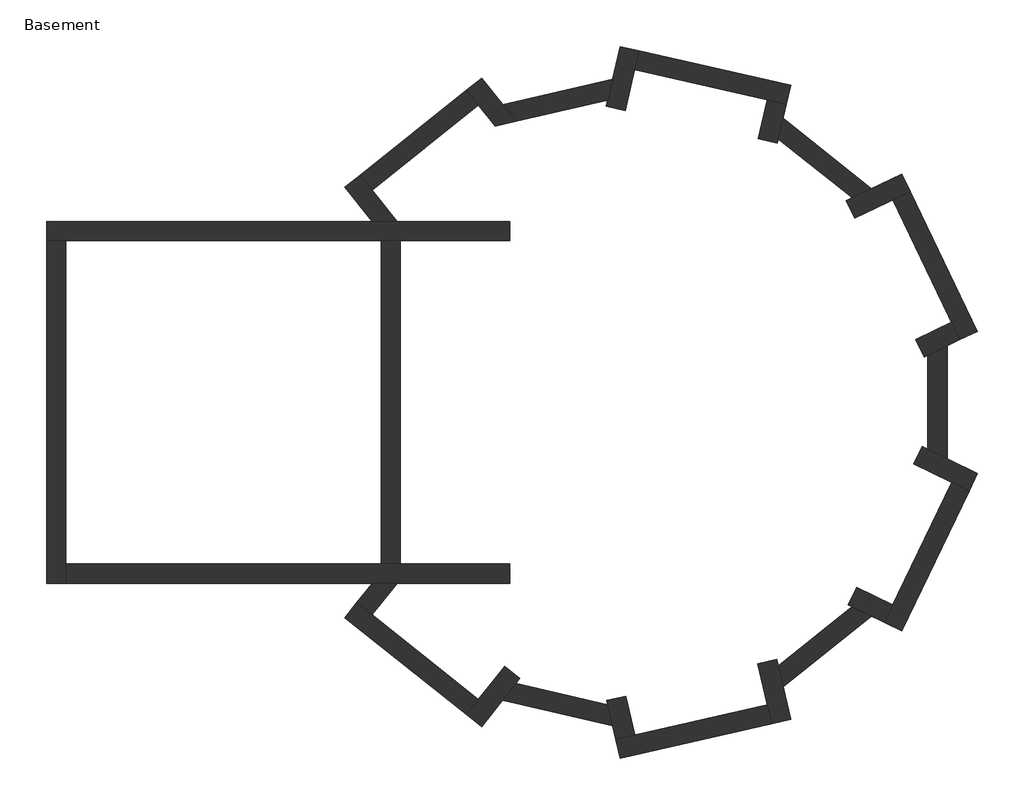
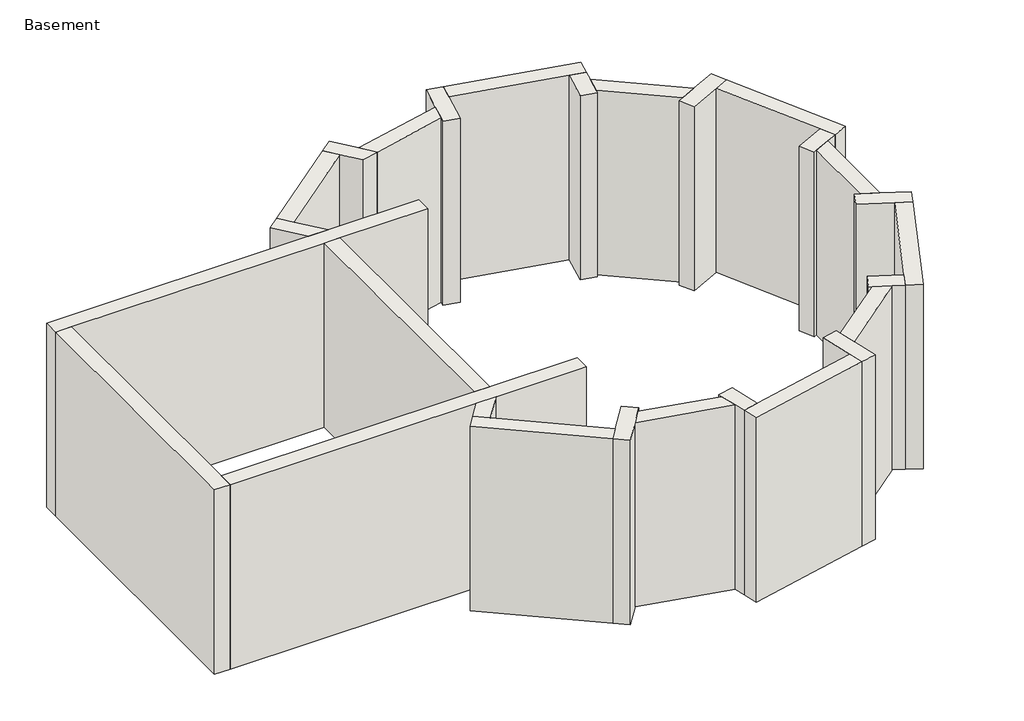
# One storey: 27 walls.
"""IFC4 building model written with IfcOpenShell, lengths in millimetres."""

from ifc_helpers import new_model, si_unit, frame, origin, place, context, project, spatial, polyline, outline, extrude, faceted_brep, element, save

model = new_model("IFC4")

# Units and contexts
model_context = context("Model", 3, world=origin())
ifc_project = project(units=[si_unit("LENGTHUNIT", "METRE", prefix="MILLI")], contexts=[model_context])

# Site, building, storey
site = spatial("IfcSite", under=ifc_project)
building = spatial("IfcBuilding", under=site)
storey = spatial("IfcBuildingStorey", under=building, Name="Basement", Elevation=-3810.0)

# Walls
placement = place(None, origin())
element("IfcWall", 1, ObjectType="Foundation - 12\" Concrete", at=placement, inside=storey, context=model_context, shape_type="Brep", body=[
    faceted_brep([(7201.9590733, 11340.0812728, -3810.0), (7633.1488174, 10799.3864356, -3810.0), (7633.1488174, 10799.3864356, 0.0), (7201.9590733, 11340.0812728, 0.0), (7440.2613091, 11530.1209644, -3810.0), (7440.2613091, 11530.1209644, 0.0), (7630.3010007, 11291.8187286, 0.0), (8023.0026502, 10799.3864356, 0.0), (8023.0026502, 10799.3864356, -3810.0), (7630.3010007, 11291.8187286, -3810.0)], [[[0, 1, 2, 3]], [[4, 5, 6, 7, 8, 9]], [[1, 0, 4, 9, 8]], [[3, 2, 7, 6, 5]], [[0, 3, 5, 4]], [[2, 1, 8, 7]]]),
])
element("IfcWall", 2, ObjectType="Foundation - 12\" Concrete", at=placement, inside=storey, context=model_context, shape_type="SweptSolid", body=[
    extrude(outline(polyline([(7440.2613091, 11530.1209644), (9110.6709419, 12862.2281952), (9300.7106336, 12623.9259593), (7630.3010007, 11291.8187286), (7440.2613091, 11530.1209644)])), frame((0.0, 0.0, -3810.0), z_axis=(0.0, 0.0, 1.0), x_axis=(1.0, 0.0, 0.0)), (0.0, 0.0, 1.0), 3810.0),
])
element("IfcWall", 3, ObjectType="Foundation - 12\" Concrete", at=placement, inside=storey, context=model_context, shape_type="Brep", body=[
    faceted_brep([(9890.1446649, 12373.6603061, -3810.0), (9679.2165203, 12638.1558335, -3810.0), (9348.9731778, 13052.2678868, -3810.0), (9348.9731778, 13052.2678868, 0.0), (9679.2165203, 12638.1558335, 0.0), (9890.1446649, 12373.6603061, 0.0), (9560.324137, 12298.3809229, -3810.0), (9560.324137, 12298.3809229, 0.0), (9300.7106336, 12623.9259593, 0.0), (9110.6709419, 12862.2281952, 0.0), (9110.6709419, 12862.2281952, -3810.0), (9300.7106336, 12623.9259593, -3810.0)], [[[0, 1, 2, 3, 4, 5]], [[6, 7, 8, 9, 10, 11]], [[2, 1, 0, 6, 11, 10]], [[5, 4, 3, 9, 8, 7]], [[3, 2, 10, 9]], [[0, 5, 7, 6]]]),
])
element("IfcWall", 4, ObjectType="Foundation - 12\" Concrete", at=placement, inside=storey, context=model_context, shape_type="SweptSolid", body=[
    extrude(outline(polyline([(9679.2165203, 12638.1558335), (11406.5563192, 13032.4098707), (11331.276936, 12702.5893428), (9890.1446649, 12373.6603061), (9679.2165203, 12638.1558335)])), frame((0.0, 0.0, -3810.0), z_axis=(0.0, 0.0, 1.0), x_axis=(1.0, 0.0, 0.0)), (0.0, 0.0, 1.0), 3810.0),
])
element("IfcWall", 5, ObjectType="Foundation - 12\" Concrete", at=placement, inside=storey, context=model_context, shape_type="Brep", body=[
    faceted_brep([(11524.3970829, 13548.7039904, -3810.0), (11406.5563192, 13032.4098707, -3810.0), (11331.276936, 12702.5893428, -3810.0), (11309.6198774, 12607.7035695, -3810.0), (11309.6198774, 12607.7035695, 0.0), (11331.276936, 12702.5893428, 0.0), (11406.5563192, 13032.4098707, 0.0), (11524.3970829, 13548.7039904, 0.0), (11821.5551105, 13480.8796097, -3810.0), (11821.5551105, 13480.8796097, 0.0), (11753.7307299, 13183.721582, 0.0), (11606.7779051, 12539.8791888, 0.0), (11606.7779051, 12539.8791888, -3810.0), (11753.7307299, 13183.721582, -3810.0)], [[[0, 1, 2, 3, 4, 5, 6, 7]], [[8, 9, 10, 11, 12, 13]], [[3, 2, 1, 0, 8, 13, 12]], [[4, 3, 12, 11]], [[7, 6, 5, 4, 11, 10, 9]], [[0, 7, 9, 8]]]),
])
element("IfcWall", 6, ObjectType="Foundation - 12\" Concrete", at=placement, inside=storey, context=model_context, shape_type="Brep", body=[
    faceted_brep([(14201.4822693, 12937.6767662, -3810.0), (11821.5551105, 13480.8796097, -3810.0), (11821.5551105, 13480.8796097, 0.0), (14201.4822693, 12937.6767662, 0.0), (14133.6578886, 12640.5187385, -3810.0), (14133.6578886, 12640.5187385, 0.0), (13836.499861, 12708.3431192, 0.0), (11753.7307299, 13183.721582, 0.0), (11753.7307299, 13183.721582, -3810.0), (13836.499861, 12708.3431192, -3810.0)], [[[0, 1, 2, 3]], [[4, 5, 6, 7, 8, 9]], [[1, 0, 4, 9, 8]], [[3, 2, 7, 6, 5]], [[0, 3, 5, 4]], [[2, 1, 8, 7]]]),
])
element("IfcWall", 7, ObjectType="Foundation - 12\" Concrete", at=placement, inside=storey, context=model_context, shape_type="Brep", body=[
    faceted_brep([(13836.499861, 12708.3431192, -3810.0), (13697.1207898, 12097.6835086, -3810.0), (13697.1207898, 12097.6835086, 0.0), (13836.499861, 12708.3431192, 0.0), (14133.6578886, 12640.5187385, -3810.0), (14133.6578886, 12640.5187385, 0.0), (14084.6888, 12425.971143, 0.0), (14009.4094168, 12096.1506151, 0.0), (13994.2788174, 12029.8591279, 0.0), (13994.2788174, 12029.8591279, -3810.0), (14009.4094168, 12096.1506151, -3810.0), (14084.6888, 12425.971143, -3810.0)], [[[0, 1, 2, 3]], [[4, 5, 6, 7, 8, 9, 10, 11]], [[1, 0, 4, 11, 10, 9]], [[2, 1, 9, 8]], [[3, 2, 8, 7, 6, 5]], [[0, 3, 5, 4]]]),
])
element("IfcWall", 8, ObjectType="Foundation - 12\" Concrete", at=placement, inside=storey, context=model_context, shape_type="SweptSolid", body=[
    extrude(outline(polyline([(14084.6888, 12425.971143), (15473.2767715, 11318.6091876), (15168.4767715, 11171.8252437), (14009.4094168, 12096.1506151), (14084.6888, 12425.971143)])), frame((0.0, 0.0, -3810.0), z_axis=(0.0, 0.0, 1.0), x_axis=(1.0, 0.0, 0.0)), (0.0, 0.0, 1.0), 3810.0),
])
element("IfcWall", 9, ObjectType="Foundation - 12\" Concrete", at=placement, inside=storey, context=model_context, shape_type="Brep", body=[
    faceted_brep([(15946.1638745, 11546.3396139, -3810.0), (15473.2767715, 11318.6091876, -3810.0), (15168.4767715, 11171.8252437, -3810.0), (15076.5487232, 11127.5550289, -3810.0), (15076.5487232, 11127.5550289, 0.0), (15168.4767715, 11171.8252437, 0.0), (15473.2767715, 11318.6091876, 0.0), (15946.1638745, 11546.3396139, 0.0), (16078.4116382, 11271.724303, -3810.0), (16078.4116382, 11271.724303, 0.0), (15803.7963273, 11139.4765393, 0.0), (15208.7964869, 10852.939718, 0.0), (15208.7964869, 10852.939718, -3810.0), (15803.7963273, 11139.4765393, -3810.0)], [[[0, 1, 2, 3, 4, 5, 6, 7]], [[8, 9, 10, 11, 12, 13]], [[3, 2, 1, 0, 8, 13, 12]], [[4, 3, 12, 11]], [[7, 6, 5, 4, 11, 10, 9]], [[0, 7, 9, 8]]]),
])
element("IfcWall", 10, ObjectType="Foundation - 12\" Concrete", at=placement, inside=storey, context=model_context, shape_type="Brep", body=[
    faceted_brep([(17137.5788664, 9072.340891, -3810.0), (16078.4116382, 11271.724303, -3810.0), (16078.4116382, 11271.724303, 0.0), (17137.5788664, 9072.340891, 0.0), (16862.9635555, 8940.0931273, -3810.0), (16862.9635555, 8940.0931273, 0.0), (16730.7157918, 9214.7084383, 0.0), (15803.7963273, 11139.4765393, 0.0), (15803.7963273, 11139.4765393, -3810.0), (16730.7157918, 9214.7084383, -3810.0)], [[[0, 1, 2, 3]], [[4, 5, 6, 7, 8, 9]], [[1, 0, 4, 9, 8]], [[3, 2, 7, 6, 5]], [[0, 3, 5, 4]], [[2, 1, 8, 7]]]),
])
element("IfcWall", 11, ObjectType="Foundation - 12\" Concrete", at=placement, inside=storey, context=model_context, shape_type="Brep", body=[
    faceted_brep([(16730.7157918, 9214.7084383, -3810.0), (16166.3814537, 8942.9393445, -3810.0), (16166.3814537, 8942.9393445, 0.0), (16730.7157918, 9214.7084383, 0.0), (16862.9635555, 8940.0931273, -3810.0), (16862.9635555, 8940.0931273, 0.0), (16660.451355, 8842.5683916, 0.0), (16355.651355, 8695.7844478, 0.0), (16298.6292174, 8668.3240336, 0.0), (16298.6292174, 8668.3240336, -3810.0), (16355.651355, 8695.7844478, -3810.0), (16660.451355, 8842.5683916, -3810.0)], [[[0, 1, 2, 3]], [[4, 5, 6, 7, 8, 9, 10, 11]], [[1, 0, 4, 11, 10, 9]], [[2, 1, 9, 8]], [[3, 2, 8, 7, 6, 5]], [[0, 3, 5, 4]]]),
])
element("IfcWall", 12, ObjectType="Foundation - 12\" Concrete", at=placement, inside=storey, context=model_context, shape_type="SweptSolid", body=[
    extrude(outline(polyline([(16660.451355, 8842.5683916), (16660.451355, 7070.5818592), (16355.651355, 7217.365803), (16355.651355, 8695.7844478), (16660.451355, 8842.5683916)])), frame((0.0, 0.0, -3810.0), z_axis=(0.0, 0.0, 1.0), x_axis=(1.0, 0.0, 0.0)), (0.0, 0.0, 1.0), 3810.0),
])
element("IfcWall", 13, ObjectType="Foundation - 12\" Concrete", at=placement, inside=storey, context=model_context, shape_type="Brep", body=[
    faceted_brep([(17137.5788664, 6840.8093598, -3810.0), (16660.451355, 7070.5818592, -3810.0), (16355.651355, 7217.365803, -3810.0), (16267.9637151, 7259.5939448, -3810.0), (16267.9637151, 7259.5939448, 0.0), (16355.651355, 7217.365803, 0.0), (16660.451355, 7070.5818592, 0.0), (17137.5788664, 6840.8093598, 0.0), (17005.3311028, 6566.1940488, -3810.0), (17005.3311028, 6566.1940488, 0.0), (16730.7157918, 6698.4418125, 0.0), (16135.7159515, 6984.9786338, 0.0), (16135.7159515, 6984.9786338, -3810.0), (16730.7157918, 6698.4418125, -3810.0)], [[[0, 1, 2, 3, 4, 5, 6, 7]], [[8, 9, 10, 11, 12, 13]], [[3, 2, 1, 0, 8, 13, 12]], [[4, 3, 12, 11]], [[7, 6, 5, 4, 11, 10, 9]], [[0, 7, 9, 8]]]),
])
element("IfcWall", 14, ObjectType="Foundation - 12\" Concrete", at=placement, inside=storey, context=model_context, shape_type="Brep", body=[
    faceted_brep([(15946.1638745, 4366.8106369, -3810.0), (17005.3311028, 6566.1940488, -3810.0), (17005.3311028, 6566.1940488, 0.0), (15946.1638745, 4366.8106369, 0.0), (15671.5485636, 4499.0584006, -3810.0), (15671.5485636, 4499.0584006, 0.0), (15803.7963273, 4773.6737115, 0.0), (16730.7157918, 6698.4418125, 0.0), (16730.7157918, 6698.4418125, -3810.0), (15803.7963273, 4773.6737115, -3810.0)], [[[0, 1, 2, 3]], [[4, 5, 6, 7, 8, 9]], [[1, 0, 4, 9, 8]], [[3, 2, 7, 6, 5]], [[0, 3, 5, 4]], [[2, 1, 8, 7]]]),
])
element("IfcWall", 15, ObjectType="Foundation - 12\" Concrete", at=placement, inside=storey, context=model_context, shape_type="Brep", body=[
    faceted_brep([(15803.7963273, 4773.6737115, -3810.0), (15239.4619892, 5045.4428053, -3810.0), (15239.4619892, 5045.4428053, 0.0), (15803.7963273, 4773.6737115, 0.0), (15671.5485636, 4499.0584006, -3810.0), (15671.5485636, 4499.0584006, 0.0), (15469.3842197, 4596.4156174, 0.0), (15164.8767913, 4743.0586662, 0.0), (15107.2142255, 4770.8274943, 0.0), (15107.2142255, 4770.8274943, -3810.0), (15164.8767913, 4743.0586662, -3810.0), (15469.3842197, 4596.4156174, -3810.0)], [[[0, 1, 2, 3]], [[4, 5, 6, 7, 8, 9, 10, 11]], [[1, 0, 4, 11, 10, 9]], [[2, 1, 9, 8]], [[3, 2, 8, 7, 6, 5]], [[0, 3, 5, 4]]]),
])
element("IfcWall", 16, ObjectType="Foundation - 12\" Concrete", at=placement, inside=storey, context=model_context, shape_type="SweptSolid", body=[
    extrude(outline(polyline([(15469.3842197, 4596.4156174), (14084.6034025, 3487.5532589), (14009.2513196, 3817.6923048), (15164.8767913, 4743.0586662), (15469.3842197, 4596.4156174)])), frame((0.0, 0.0, -3810.0), z_axis=(0.0, 0.0, 1.0), x_axis=(1.0, 0.0, 0.0)), (0.0, 0.0, 1.0), 3810.0),
])
element("IfcWall", 17, ObjectType="Foundation - 12\" Concrete", at=placement, inside=storey, context=model_context, shape_type="Brep", body=[
    faceted_brep([(14201.4822693, 2975.4734846, -3810.0), (14084.6034025, 3487.5532589, -3810.0), (14009.2513196, 3817.6923048, -3810.0), (13986.7050638, 3916.4739055, -3810.0), (13986.7050638, 3916.4739055, 0.0), (14009.2513196, 3817.6923048, 0.0), (14084.6034025, 3487.5532589, 0.0), (14201.4822693, 2975.4734846, 0.0), (13904.3242417, 2907.649104, -3810.0), (13904.3242417, 2907.649104, 0.0), (13836.499861, 3204.8071316, 0.0), (13689.5470362, 3848.6495248, 0.0), (13689.5470362, 3848.6495248, -3810.0), (13836.499861, 3204.8071316, -3810.0)], [[[0, 1, 2, 3, 4, 5, 6, 7]], [[8, 9, 10, 11, 12, 13]], [[3, 2, 1, 0, 8, 13, 12]], [[4, 3, 12, 11]], [[7, 6, 5, 4, 11, 10, 9]], [[0, 7, 9, 8]]]),
])
element("IfcWall", 18, ObjectType="Foundation - 12\" Concrete", at=placement, inside=storey, context=model_context, shape_type="Brep", body=[
    faceted_brep([(11524.3970829, 2364.4462604, -3810.0), (13904.3242417, 2907.649104, -3810.0), (13904.3242417, 2907.649104, 0.0), (11524.3970829, 2364.4462604, 0.0), (11456.5727022, 2661.6042881, -3810.0), (11456.5727022, 2661.6042881, 0.0), (11753.7307299, 2729.4286687, 0.0), (13836.499861, 3204.8071316, 0.0), (13836.499861, 3204.8071316, -3810.0), (11753.7307299, 2729.4286687, -3810.0)], [[[0, 1, 2, 3]], [[4, 5, 6, 7, 8, 9]], [[1, 0, 4, 9, 8]], [[3, 2, 7, 6, 5]], [[0, 3, 5, 4]], [[2, 1, 8, 7]]]),
])
element("IfcWall", 19, ObjectType="Foundation - 12\" Concrete", at=placement, inside=storey, context=model_context, shape_type="Brep", body=[
    faceted_brep([(11753.7307299, 2729.4286687, -3810.0), (11614.3516587, 3340.0882794, -3810.0), (11614.3516587, 3340.0882794, 0.0), (11753.7307299, 2729.4286687, 0.0), (11456.5727022, 2661.6042881, -3810.0), (11456.5727022, 2661.6042881, 0.0), (11407.5182161, 2876.5260347, 0.0), (11332.1661332, 3206.6650807, 0.0), (11317.193631, 3272.2638987, 0.0), (11317.193631, 3272.2638987, -3810.0), (11332.1661332, 3206.6650807, -3810.0), (11407.5182161, 2876.5260347, -3810.0)], [[[0, 1, 2, 3]], [[4, 5, 6, 7, 8, 9, 10, 11]], [[1, 0, 4, 11, 10, 9]], [[2, 1, 9, 8]], [[3, 2, 8, 7, 6, 5]], [[0, 3, 5, 4]]]),
])
element("IfcWall", 20, ObjectType="Foundation - 12\" Concrete", at=placement, inside=storey, context=model_context, shape_type="SweptSolid", body=[
    extrude(outline(polyline([(11407.5182161, 2876.5260347), (9678.7564646, 3274.7426197), (9889.4821433, 3538.984263), (11332.1661332, 3206.6650807), (11407.5182161, 2876.5260347)])), frame((0.0, 0.0, -3810.0), z_axis=(0.0, 0.0, 1.0), x_axis=(1.0, 0.0, 0.0)), (0.0, 0.0, 1.0), 3810.0),
])
element("IfcWall", 21, ObjectType="Foundation - 12\" Concrete", at=placement, inside=storey, context=model_context, shape_type="Brep", body=[
    faceted_brep([(9348.8147062, 2861.0087409, -3810.0), (9678.7564646, 3274.7426197, -3810.0), (9889.4821433, 3538.984263, -3810.0), (9950.6070629, 3615.6324878, -3810.0), (9950.6070629, 3615.6324878, 0.0), (9889.4821433, 3538.984263, 0.0), (9678.7564646, 3274.7426197, 0.0), (9348.8147062, 2861.0087409, 0.0), (9110.5124703, 3051.0484325, -3810.0), (9110.5124703, 3051.0484325, 0.0), (9300.5521619, 3289.3506684, 0.0), (9712.3048271, 3805.6721794, 0.0), (9712.3048271, 3805.6721794, -3810.0), (9300.5521619, 3289.3506684, -3810.0)], [[[0, 1, 2, 3, 4, 5, 6, 7]], [[8, 9, 10, 11, 12, 13]], [[3, 2, 1, 0, 8, 13, 12]], [[4, 3, 12, 11]], [[7, 6, 5, 4, 11, 10, 9]], [[0, 7, 9, 8]]]),
])
element("IfcWall", 22, ObjectType="Foundation - 12\" Concrete", at=placement, inside=storey, context=model_context, shape_type="Brep", body=[
    faceted_brep([(7201.9590733, 4573.068978, -3810.0), (9110.5124703, 3051.0484325, -3810.0), (9110.5124703, 3051.0484325, 0.0), (7201.9590733, 4573.068978, 0.0), (7391.9987649, 4811.3712138, -3810.0), (7391.9987649, 4811.3712138, 0.0), (7630.3010007, 4621.3315222, 0.0), (9300.5521619, 3289.3506684, 0.0), (9300.5521619, 3289.3506684, -3810.0), (7630.3010007, 4621.3315222, -3810.0)], [[[0, 1, 2, 3]], [[4, 5, 6, 7, 8, 9]], [[1, 0, 4, 9, 8]], [[3, 2, 7, 6, 5]], [[0, 3, 5, 4]], [[2, 1, 8, 7]]]),
])
element("IfcWall", 23, ObjectType="Foundation - 12\" Concrete", at=placement, inside=storey, context=model_context, shape_type="SweptSolid", body=[
    extrude(outline(polyline([(8023.0026502, 5113.7638152), (7630.3010007, 4621.3315222), (7391.9987649, 4811.3712138), (7633.1488174, 5113.7638152), (8023.0026502, 5113.7638152)])), frame((0.0, 0.0, -3810.0), z_axis=(0.0, 0.0, 1.0), x_axis=(1.0, 0.0, 0.0)), (0.0, 0.0, 1.0), 3810.0),
])
element("IfcWall", 24, ObjectType="Foundation - 12\" Concrete", at=placement, inside=storey, context=model_context, shape_type="SweptSolid", body=[
    extrude(outline(polyline([(7770.5025479, 5418.5638152), (7770.5025479, 10494.5864356), (8075.3025479, 10494.5864356), (8075.3025479, 5418.5638152), (7770.5025479, 5418.5638152)])), frame((0.0, 0.0, -3810.0), z_axis=(0.0, 0.0, 1.0), x_axis=(1.0, 0.0, 0.0)), (0.0, 0.0, 1.0), 3810.0),
])
element("IfcWall", 25, ObjectType="Foundation - 12\" Concrete", at=placement, inside=storey, context=model_context, shape_type="Brep", body=[
    faceted_brep([(2516.575502, 10494.5864356, -3810.0), (2821.375502, 10494.5864356, -3810.0), (7770.5025479, 10494.5864356, -3810.0), (8075.3025479, 10494.5864356, -3810.0), (9790.500502, 10494.5864356, -3810.0), (9790.500502, 10494.5864356, 0.0), (8075.3025479, 10494.5864356, 0.0), (7770.5025479, 10494.5864356, 0.0), (2821.375502, 10494.5864356, 0.0), (2516.575502, 10494.5864356, 0.0), (2516.575502, 10799.3864356, -3810.0), (2516.575502, 10799.3864356, 0.0), (7633.1488174, 10799.3864356, 0.0), (8023.0026502, 10799.3864356, 0.0), (9790.500502, 10799.3864356, 0.0), (9790.500502, 10799.3864356, -3810.0), (8023.0026502, 10799.3864356, -3810.0), (7633.1488174, 10799.3864356, -3810.0)], [[[0, 1, 2, 3, 4, 5, 6, 7, 8, 9]], [[10, 11, 12, 13, 14, 15, 16, 17]], [[4, 3, 2, 1, 0, 10, 17, 16, 15]], [[5, 4, 15, 14]], [[9, 8, 7, 6, 5, 14, 13, 12, 11]], [[0, 9, 11, 10]]]),
])
element("IfcWall", 26, ObjectType="Foundation - 12\" Concrete", at=placement, inside=storey, context=model_context, shape_type="Brep", body=[
    faceted_brep([(2821.375502, 5113.7638152, -3810.0), (2821.375502, 5418.5638152, -3810.0), (2821.375502, 10494.5864356, -3810.0), (2821.375502, 10494.5864356, 0.0), (2821.375502, 5418.5638152, 0.0), (2821.375502, 5113.7638152, 0.0), (2516.575502, 5113.7638152, -3810.0), (2516.575502, 5113.7638152, 0.0), (2516.575502, 10494.5864356, 0.0), (2516.575502, 10494.5864356, -3810.0)], [[[0, 1, 2, 3, 4, 5]], [[6, 7, 8, 9]], [[2, 1, 0, 6, 9]], [[5, 4, 3, 8, 7]], [[0, 5, 7, 6]], [[3, 2, 9, 8]]]),
])
element("IfcWall", 27, ObjectType="Foundation - 12\" Concrete", at=placement, inside=storey, context=model_context, shape_type="Brep", body=[
    faceted_brep([(9790.500502, 5418.5638152, -3810.0), (8075.3025479, 5418.5638152, -3810.0), (7770.5025479, 5418.5638152, -3810.0), (2821.375502, 5418.5638152, -3810.0), (2821.375502, 5418.5638152, 0.0), (7770.5025479, 5418.5638152, 0.0), (8075.3025479, 5418.5638152, 0.0), (9790.500502, 5418.5638152, 0.0), (9790.500502, 5113.7638152, -3810.0), (9790.500502, 5113.7638152, 0.0), (8023.0026502, 5113.7638152, 0.0), (7633.1488174, 5113.7638152, 0.0), (2821.375502, 5113.7638152, 0.0), (2821.375502, 5113.7638152, -3810.0), (7633.1488174, 5113.7638152, -3810.0), (8023.0026502, 5113.7638152, -3810.0)], [[[0, 1, 2, 3, 4, 5, 6, 7]], [[8, 9, 10, 11, 12, 13, 14, 15]], [[3, 2, 1, 0, 8, 15, 14, 13]], [[7, 6, 5, 4, 12, 11, 10, 9]], [[0, 7, 9, 8]], [[4, 3, 13, 12]]]),
])

save(model, "model.ifc")
